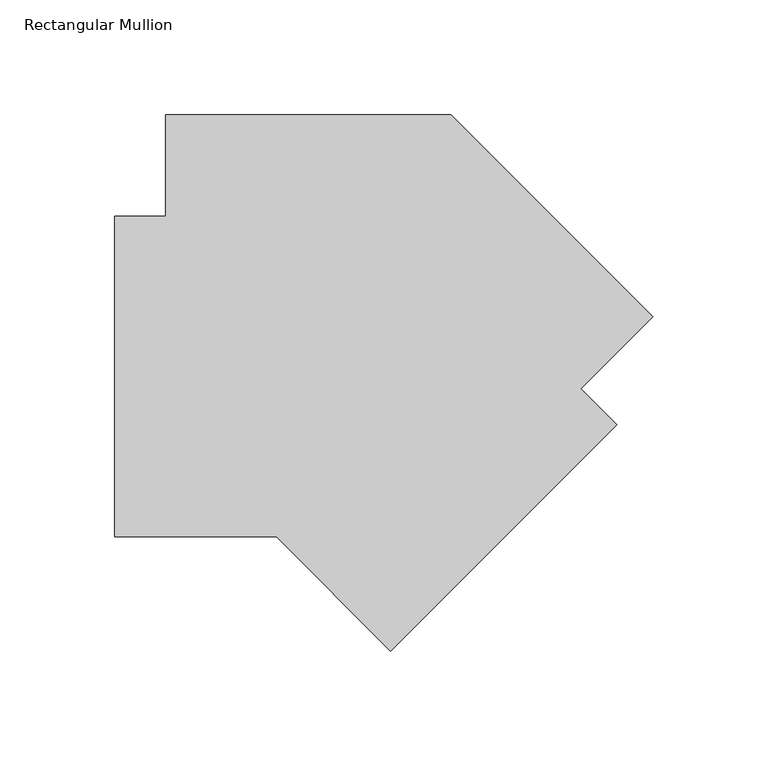
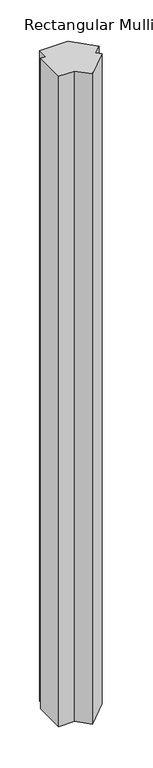
"""IFC4 building model written with IfcOpenShell, lengths in millimetres: member geometry, Rectangular Mullion."""

from ifc_helpers import new_model, si_unit, frame, origin, place, context, project, spatial, polyline, outline, extrude, source, transform, mapped, element, save


def rectangular_mullion_3bfade6f(model_context):
    return source(origin(), model_context, "Body", "SweptSolid", [
        extrude(outline(polyline([(-164.4510167, -75.4437896), (-235.0947667, -75.4437896), (-235.0947667, 64.2562054), (-212.8698799, 64.2562054), (-212.8698799, 108.7061998), (-88.1735857, 108.7061998), (0.0, 20.5326141), (-31.4308964, -10.8982823), (-15.7154482, -26.6137305), (-114.4983423, -125.396464), (-164.4510167, -75.4437896)])), frame((0.0, 0.0, -3048.0), z_axis=(0.0, 0.0, 1.0), x_axis=(1.0, 0.0, 0.0)), (0.0, 0.0, 1.0), 3048.0),
    ])


if __name__ == "__main__":
    model = new_model("IFC4")
    model_context = context("Model", 3, world=origin())
    ifc_project = project(units=[si_unit("LENGTHUNIT", "METRE", prefix="MILLI")], contexts=[model_context])
    site = spatial("IfcSite", under=ifc_project)
    building = spatial("IfcBuilding", under=site)
    placement = place(None, origin())
    rectangular_mullion_shape = rectangular_mullion_3bfade6f(model_context)
    element("IfcMember", 1, ObjectType="Rectangular Mullion", at=placement, inside=building, context=model_context, shape_type="MappedRepresentation", body=[
        mapped(rectangular_mullion_shape, transform((0.0, 0.0, 0.0), x_axis=(1.0, 0.0, 0.0), y_axis=(0.0, 1.0, 0.0), z_axis=(0.0, 0.0, 1.0))),
    ])
    save(model, "model.ifc")
